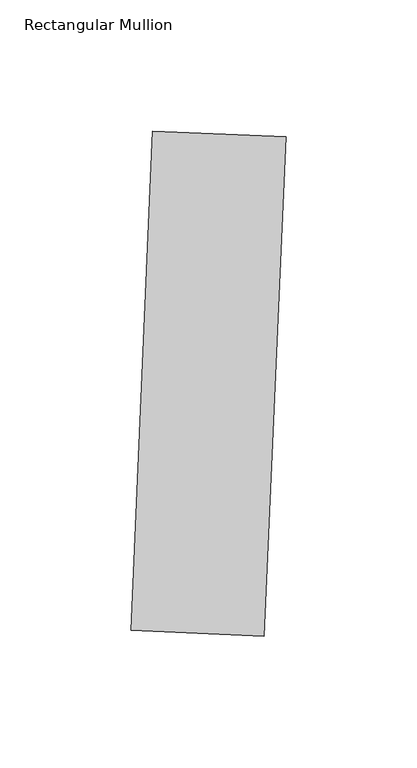
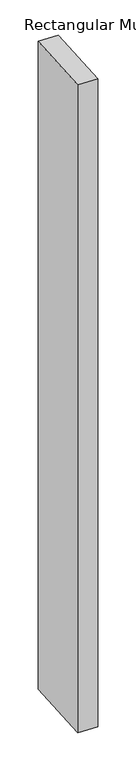
"""IFC4 building model written with IfcOpenShell, lengths in millimetres: member geometry, Rectangular Mullion."""

from ifc_helpers import new_model, si_unit, frame, origin, place, context, project, spatial, polyline, outline, extrude, source, transform, mapped, element, save


def rectangular_mullion_d9aa78a6(model_context):
    return source(origin(), model_context, "Body", "SweptSolid", [
        extrude(outline(polyline([(18.7282302, -153.3628814), (-32.0234195, -151.1470165), (-23.7139262, 39.1716697), (27.0377235, 36.9558048), (18.7282302, -153.3628814)])), frame((0.0, 0.0, -1765.3), z_axis=(0.0, 0.0, 1.0), x_axis=(1.0, 0.0, 0.0)), (0.0, 0.0, 1.0), 1765.3),
    ])


if __name__ == "__main__":
    model = new_model("IFC4")
    model_context = context("Model", 3, world=origin())
    ifc_project = project(units=[si_unit("LENGTHUNIT", "METRE", prefix="MILLI")], contexts=[model_context])
    site = spatial("IfcSite", under=ifc_project)
    building = spatial("IfcBuilding", under=site)
    placement = place(None, origin())
    rectangular_mullion_shape = rectangular_mullion_d9aa78a6(model_context)
    element("IfcMember", 1, ObjectType="Rectangular Mullion", at=placement, inside=building, context=model_context, shape_type="MappedRepresentation", body=[
        mapped(rectangular_mullion_shape, transform((0.0, 0.0, 0.0), x_axis=(1.0, 0.0, 0.0), y_axis=(0.0, 1.0, 0.0), z_axis=(0.0, 0.0, 1.0))),
    ])
    save(model, "model.ifc")
